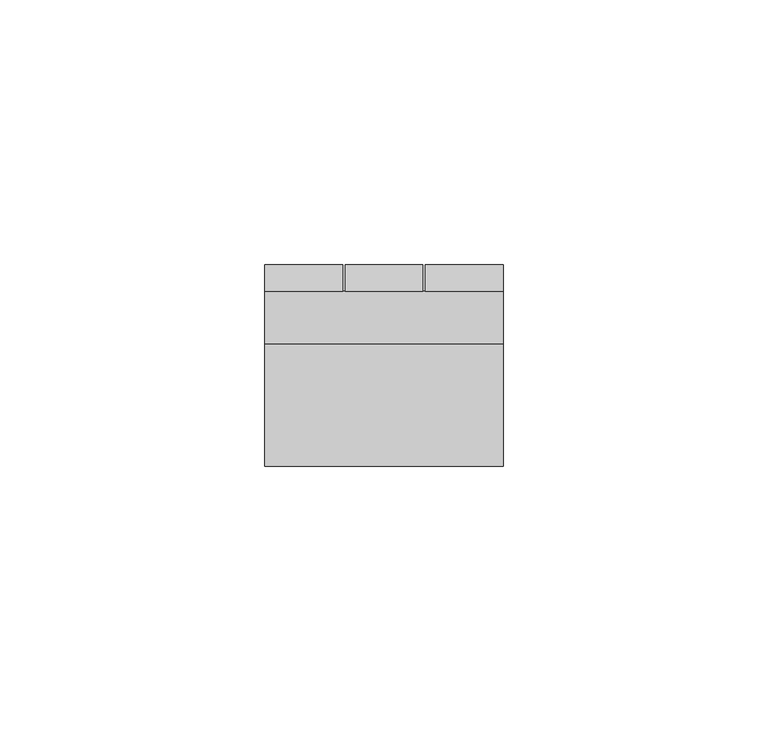
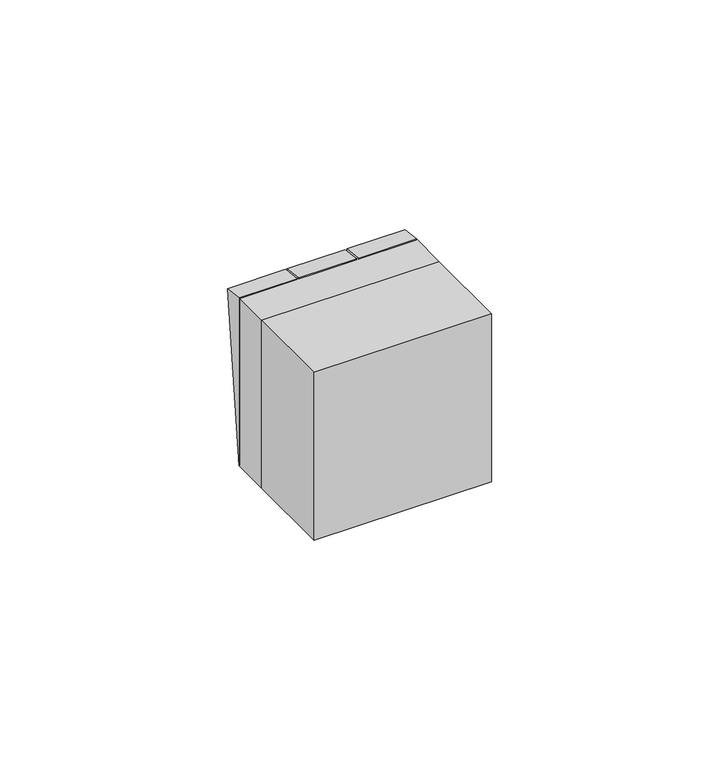
"""IFC4 building model written with IfcOpenShell, lengths in millimetres: switching device geometry."""

from ifc_helpers import new_model, si_unit, frame, origin, place, context, project, spatial, polyline, outline, extrude, source, transform, mapped, element, save


def switching_device_c4147029(model_context):
    return source(origin(), model_context, "Body", "SweptSolid", [
        extrude(outline(polyline([(10.0, -22.5), (10.0, 22.5), (14.9850961, 21.9408026), (10.0, -22.5)])), frame((7.8, 0.0, 0.0), z_axis=(1.0, 0.0, 0.0), x_axis=(0.0, 1.0, 0.0)), (0.0, 0.0, 1.0), 14.7),
        extrude(outline(polyline([(10.0, -22.5), (10.0, 22.5), (14.9850961, 21.9408026), (10.0, -22.5)])), frame((-7.35, 0.0, 0.0), z_axis=(1.0, 0.0, 0.0), x_axis=(0.0, 1.0, 0.0)), (0.0, 0.0, 1.0), 14.7),
        extrude(outline(polyline([(10.0, -22.5), (10.0, 22.5), (14.9850961, 21.9408026), (10.0, -22.5)])), frame((-22.5, 0.0, 0.0), z_axis=(1.0, 0.0, 0.0), x_axis=(0.0, 1.0, 0.0)), (0.0, 0.0, 1.0), 14.7),
        extrude(outline(polyline([(22.5, -23.0), (-22.5, -23.0), (-22.5, 0.0), (22.5, 0.0), (22.5, -23.0)])), frame((0.0, 0.0, -22.5), z_axis=(0.0, 0.0, 1.0), x_axis=(1.0, 0.0, 0.0)), (0.0, 0.0, 1.0), 45.0),
        extrude(outline(polyline([(22.5, 0.0), (-22.5, 0.0), (-22.5, 10.0), (22.5, 10.0), (22.5, 0.0)])), frame((0.0, 0.0, -22.5), z_axis=(0.0, 0.0, 1.0), x_axis=(1.0, 0.0, 0.0)), (0.0, 0.0, 1.0), 45.0),
    ])


if __name__ == "__main__":
    model = new_model("IFC4")
    model_context = context("Model", 3, world=origin())
    ifc_project = project(units=[si_unit("LENGTHUNIT", "METRE", prefix="MILLI")], contexts=[model_context])
    site = spatial("IfcSite", under=ifc_project)
    building = spatial("IfcBuilding", under=site)
    placement = place(None, origin())
    switching_device_shape = switching_device_c4147029(model_context)
    element("IfcSwitchingDevice", 1, at=placement, inside=building, context=model_context, shape_type="MappedRepresentation", body=[
        mapped(switching_device_shape, transform((0.0, 0.0, 0.0), x_axis=(1.0, 0.0, 0.0), y_axis=(0.0, 1.0, 0.0), z_axis=(0.0, 0.0, 1.0))),
    ])
    save(model, "model.ifc")
